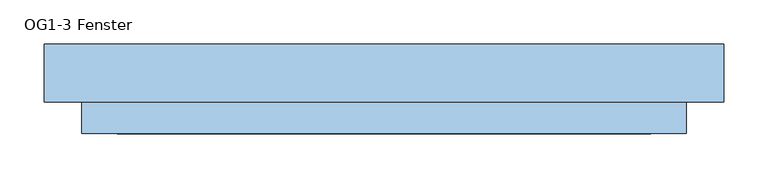
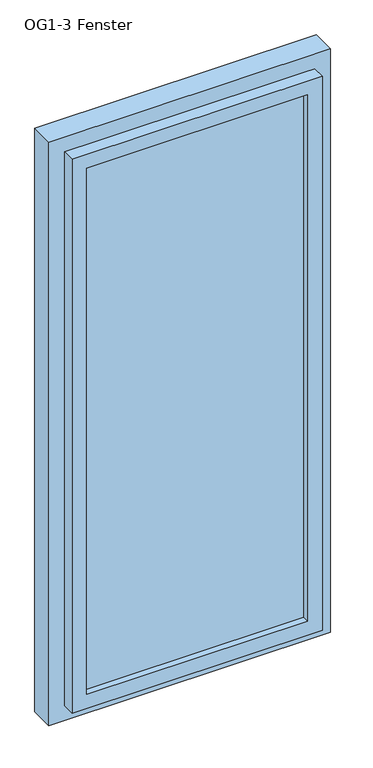
"""IFC4 building model written with IfcOpenShell, lengths in millimetres: window geometry, OG1-3 Fenster."""

from ifc_helpers import new_model, si_unit, frame, origin, place, context, project, spatial, polyline, outline, extrude, faceted_brep, source, transform, mapped, element, save


def og1_3_fenster_5a9a86da(model_context):
    return source(origin(), model_context, "Body", "SolidModel", [
        extrude(outline(polyline([(1690.0, -386.0), (0.0, -386.0), (0.0, 386.0), (1690.0, 386.0), (1690.0, -386.0)]), holes=[polyline([(1617.0, -313.0), (1617.0, 313.0), (73.0, 313.0), (73.0, -313.0), (1617.0, -313.0)])]), frame((0.0, -66.0, 0.0), z_axis=(0.0, 1.0, 0.0), x_axis=(0.0, 0.0, 1.0)), (0.0, 0.0, 1.0), 66.0),
        faceted_brep([(-343.0, -102.0, 1647.0), (-343.0, -66.0, 1647.0), (-343.0, -66.0, 43.0), (-343.0, -102.0, 43.0), (343.0, -66.0, 1647.0), (343.0, -66.0, 43.0), (-313.0, -66.0, 73.0), (313.0, -66.0, 73.0), (313.0, -66.0, 1617.0), (-313.0, -66.0, 1617.0), (343.0, -102.0, 43.0), (343.0, -102.0, 1647.0), (-303.0, -102.0, 1607.0), (303.0, -102.0, 1607.0), (303.0, -102.0, 83.0), (-303.0, -102.0, 83.0), (-303.0, -36.0, 1607.0), (-303.0, -36.0, 83.0), (303.0, -36.0, 83.0), (-313.0, -36.0, 1617.0), (313.0, -36.0, 1617.0), (313.0, -36.0, 73.0), (-313.0, -36.0, 73.0), (303.0, -36.0, 1607.0)], [[[0, 1, 2, 3]], [[1, 4, 5, 2], [6, 7, 8, 9]], [[3, 2, 5, 10]], [[3, 10, 11, 0], [12, 13, 14, 15]], [[16, 12, 15, 17]], [[17, 15, 14, 18]], [[19, 20, 21, 22], [17, 18, 23, 16]], [[9, 19, 22, 6]], [[6, 22, 21, 7]], [[10, 5, 4, 11]], [[18, 14, 13, 23]], [[7, 21, 20, 8]], [[11, 4, 1, 0]], [[23, 13, 12, 16]], [[8, 20, 19, 9]]]),
        extrude(outline(polyline([(-303.0, -54.0), (303.0, -54.0), (303.0, -84.0), (-303.0, -84.0), (-303.0, -54.0)])), frame((0.0, 0.0, 83.0), z_axis=(0.0, 0.0, 1.0), x_axis=(1.0, 0.0, 0.0)), (0.0, 0.0, 1.0), 1524.0),
    ])


if __name__ == "__main__":
    model = new_model("IFC4")
    model_context = context("Model", 3, world=origin())
    ifc_project = project(units=[si_unit("LENGTHUNIT", "METRE", prefix="MILLI")], contexts=[model_context])
    site = spatial("IfcSite", under=ifc_project)
    building = spatial("IfcBuilding", under=site)
    placement = place(None, origin())
    og1_3_fenster_shape = og1_3_fenster_5a9a86da(model_context)
    element("IfcWindow", 1, ObjectType="OG1-3 Fenster", at=placement, inside=building, context=model_context, shape_type="MappedRepresentation", body=[
        mapped(og1_3_fenster_shape, transform((0.0, 0.0, 0.0), x_axis=(1.0, 0.0, 0.0), y_axis=(0.0, 1.0, 0.0), z_axis=(0.0, 0.0, 1.0))),
    ])
    save(model, "model.ifc")
